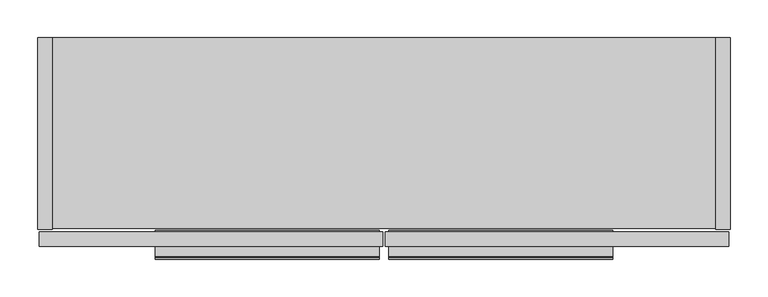
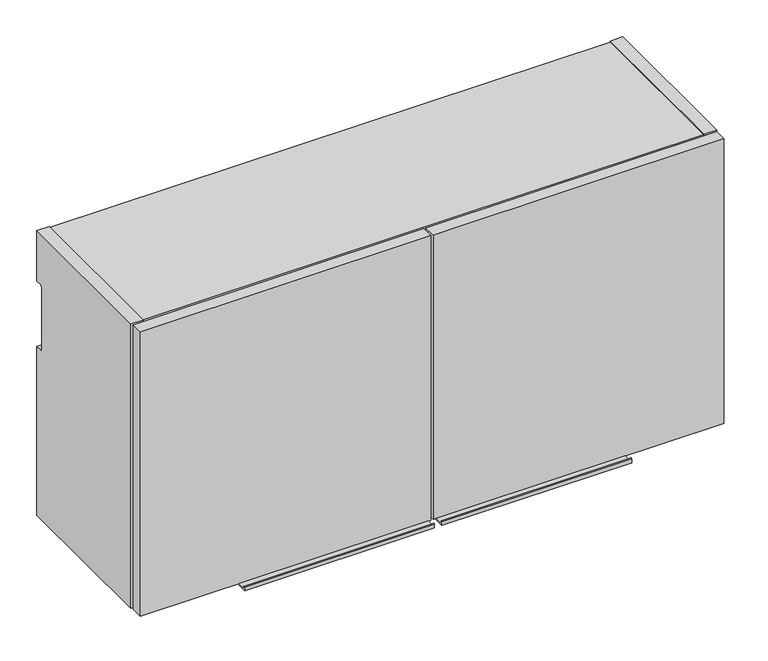
"""IFC4 building model written with IfcOpenShell, lengths in millimetres: furniture geometry."""

from ifc_helpers import new_model, si_unit, point, frame, frame_2d, origin, place, context, project, spatial, polyline, circle_curve, trimmed, segment, composite_curve, outline, extrude, source, transform, mapped, element, save


def furniture_b56c740f(model_context):
    return source(origin(), model_context, "Body", "SweptSolid", [
        extrude(outline(composite_curve([segment(polyline([(-254.8305617, 1687.59984), (-292.8305617, 1687.59984), (-292.8305617, 1693.59984)]), True, "CONTINUOUS"), segment(trimmed(circle_curve(frame_2d((-291.8305617, 1693.59984)), 1.0), [point((-292.8305617, 1693.59984))], [point((-290.8646358, 1693.858659))], False, "CARTESIAN"), True, "CONTINUOUS"), segment(polyline([(-290.8646358, 1693.858659), (-289.5895141, 1689.09984), (-256.921, 1689.09984), (-256.921, 1707.09984), (-254.8305617, 1707.09984), (-254.8305617, 1687.59984)]), True, "CONTINUOUS")], self_intersect=False)), frame((463.1817, 0.0, 0.0), z_axis=(1.0, 0.0, 0.0), x_axis=(0.0, 1.0, 0.0)), (0.0, 0.0, 1.0), 296.0116),
        extrude(outline(composite_curve([segment(polyline([(-254.8305617, 1687.59984), (-292.8305617, 1687.59984), (-292.8305617, 1693.59984)]), True, "CONTINUOUS"), segment(trimmed(circle_curve(frame_2d((-291.8305617, 1693.59984)), 1.0), [point((-292.8305617, 1693.59984))], [point((-290.8646358, 1693.858659))], False, "CARTESIAN"), True, "CONTINUOUS"), segment(polyline([(-290.8646358, 1693.858659), (-289.5895141, 1689.09984), (-256.921, 1689.09984), (-256.921, 1707.09984), (-254.8305617, 1707.09984), (-254.8305617, 1687.59984)]), True, "CONTINUOUS")], self_intersect=False)), frame((155.2067, 0.0, 0.0), z_axis=(1.0, 0.0, 0.0), x_axis=(0.0, 1.0, 0.0)), (0.0, 0.0, 1.0), 296.0116),
        extrude(outline(polyline([(912.8125, -276.225), (458.7875, -276.225), (458.7875, -256.921), (912.8125, -256.921), (912.8125, -276.225)])), frame((0.0, 0.0, 1689.1), z_axis=(0.0, 0.0, 1.0), x_axis=(1.0, 0.0, 0.0)), (0.0, 0.0, 1.0), 469.9),
        extrude(outline(polyline([(455.6125, -276.225), (1.5875, -276.225), (1.5875, -256.921), (455.6125, -256.921), (455.6125, -276.225)])), frame((0.0, 0.0, 1689.1), z_axis=(0.0, 0.0, 1.0), x_axis=(1.0, 0.0, 0.0)), (0.0, 0.0, 1.0), 469.9),
        extrude(outline(composite_curve([segment(polyline([(-253.746, 1689.1), (-253.746, 2159.0), (0.0, 2159.0), (0.0, 2075.942), (-9.5254487, 2075.942)]), True, "CONTINUOUS"), segment(trimmed(circle_curve(frame_2d((-9.5254487, 2072.7674487)), 3.1745513), [point((-9.5254487, 2075.942))], [point((-12.7, 2072.7674487))], True, "CARTESIAN"), True, "CONTINUOUS"), segment(polyline([(-12.7, 2072.7674487), (-12.7, 1971.167)]), True, "CONTINUOUS"), segment(trimmed(circle_curve(frame_2d((-9.525, 1971.167)), 3.175), [point((-12.7, 1971.167))], [point((-9.525, 1967.992))], True, "CARTESIAN"), True, "CONTINUOUS"), segment(polyline([(-9.525, 1967.992), (0.0, 1967.992), (0.0, 1689.1), (-253.746, 1689.1)]), True, "CONTINUOUS")], self_intersect=False)), frame((895.096, 0.0, 0.0), z_axis=(1.0, 0.0, 0.0), x_axis=(0.0, 1.0, 0.0)), (0.0, 0.0, 1.0), 19.304),
        extrude(outline(polyline([(895.096, -252.222), (19.304, -252.222), (19.304, -12.7), (895.096, -12.7), (895.096, -252.222)])), frame((0.0, 0.0, 1690.624), z_axis=(0.0, 0.0, 1.0), x_axis=(1.0, 0.0, 0.0)), (0.0, 0.0, 1.0), 19.304),
        extrude(outline(polyline([(895.096, -12.7), (895.096, -32.004), (19.304, -32.004), (19.304, -12.7), (895.096, -12.7)])), frame((0.0, 0.0, 1709.928), z_axis=(0.0, 0.0, 1.0), x_axis=(1.0, 0.0, 0.0)), (0.0, 0.0, 1.0), 429.768),
        extrude(outline(composite_curve([segment(polyline([(-253.746, 1689.1), (-253.746, 2159.0), (0.0, 2159.0), (0.0, 2075.942), (-9.5254487, 2075.942)]), True, "CONTINUOUS"), segment(trimmed(circle_curve(frame_2d((-9.5254487, 2072.7674487)), 3.1745513), [point((-9.5254487, 2075.942))], [point((-12.7, 2072.7674487))], True, "CARTESIAN"), True, "CONTINUOUS"), segment(polyline([(-12.7, 2072.7674487), (-12.7, 1971.167)]), True, "CONTINUOUS"), segment(trimmed(circle_curve(frame_2d((-9.525, 1971.167)), 3.175), [point((-12.7, 1971.167))], [point((-9.525, 1967.992))], True, "CARTESIAN"), True, "CONTINUOUS"), segment(polyline([(-9.525, 1967.992), (0.0, 1967.992), (0.0, 1689.1), (-253.746, 1689.1)]), True, "CONTINUOUS")], self_intersect=False)), frame((0.0, 0.0, 0.0), z_axis=(1.0, 0.0, 0.0), x_axis=(0.0, 1.0, 0.0)), (0.0, 0.0, 1.0), 19.304),
        extrude(outline(polyline([(895.096, -252.222), (19.304, -252.222), (19.304, 0.0), (895.096, 0.0), (895.096, -252.222)])), frame((0.0, 0.0, 2139.696), z_axis=(0.0, 0.0, 1.0), x_axis=(1.0, 0.0, 0.0)), (0.0, 0.0, 1.0), 17.78),
    ])


if __name__ == "__main__":
    model = new_model("IFC4")
    model_context = context("Model", 3, world=origin())
    ifc_project = project(units=[si_unit("LENGTHUNIT", "METRE", prefix="MILLI")], contexts=[model_context])
    site = spatial("IfcSite", under=ifc_project)
    building = spatial("IfcBuilding", under=site)
    placement = place(None, origin())
    furniture_shape = furniture_b56c740f(model_context)
    element("IfcFurniture", 1, at=placement, inside=building, context=model_context, shape_type="MappedRepresentation", body=[
        mapped(furniture_shape, transform((0.0, 0.0, 0.0), x_axis=(1.0, 0.0, 0.0), y_axis=(0.0, 1.0, 0.0), z_axis=(0.0, 0.0, 1.0))),
    ])
    save(model, "model.ifc")
